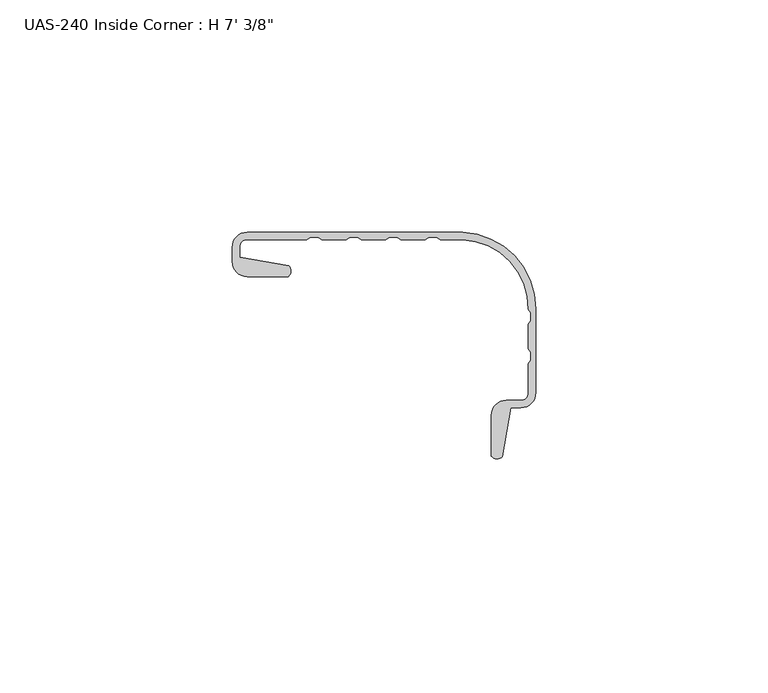
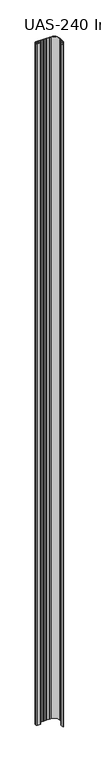
"""IFC4 building model written with IfcOpenShell, lengths in millimetres: proxy geometry."""

from ifc_helpers import new_model, si_unit, point, frame_2d, origin, origin_with_axes, place, context, project, spatial, polyline, circle_curve, trimmed, segment, composite_curve, outline, extrude, source, transform, mapped, element, save


def proxy_f9105202(model_context):
    return source(origin(), model_context, "Body", "SweptSolid", [
        extrude(outline(composite_curve([segment(trimmed(circle_curve(frame_2d((-30.2000216, 15.7778327)), 1.6162393), [point((-29.0431801, 16.9065255))], [point((-29.1092639, 14.5851562))], False, "CARTESIAN"), True, "CONTINUOUS"), segment(polyline([(-29.1092639, 14.5851562), (-38.019067, 14.5851562)]), True, "CONTINUOUS"), segment(trimmed(circle_curve(frame_2d((-38.019067, 17.7601562)), 3.175), [point((-38.019067, 14.5851562))], [point((-41.194067, 17.7601562))], False, "CARTESIAN"), True, "CONTINUOUS"), segment(polyline([(-41.194067, 17.7601562), (-41.194067, 20.9351562)]), True, "CONTINUOUS"), segment(trimmed(circle_curve(frame_2d((-38.019067, 20.9351562)), 3.175), [point((-41.194067, 20.9351562))], [point((-38.019067, 24.1101562))], False, "CARTESIAN"), True, "CONTINUOUS"), segment(polyline([(-38.019067, 24.1101562), (8.3949703, 24.1101562)]), True, "CONTINUOUS"), segment(trimmed(circle_curve(frame_2d((7.703695, 7.7180916)), 16.4066342), [point((8.3949703, 24.1101562))], [point((24.1101563, 7.642758))], False, "CARTESIAN"), True, "CONTINUOUS"), segment(polyline([(24.1101563, 7.642758), (24.1101563, -10.4667854)]), True, "CONTINUOUS"), segment(trimmed(circle_curve(frame_2d((20.9351563, -10.4667854)), 3.175), [point((24.1101563, -10.4667854))], [point((20.9351563, -13.6417854))], False, "CARTESIAN"), True, "CONTINUOUS"), segment(polyline([(20.9351563, -13.6417854), (18.7153246, -13.6417854), (16.9065255, -24.2051724)]), True, "CONTINUOUS"), segment(trimmed(circle_curve(frame_2d((15.7778327, -23.0483309)), 1.6162393), [point((16.9065255, -24.2051724))], [point((14.5851563, -24.1390886))], False, "CARTESIAN"), True, "CONTINUOUS"), segment(polyline([(14.5851563, -24.1390886), (14.5851563, -15.2292854)]), True, "CONTINUOUS"), segment(trimmed(circle_curve(frame_2d((17.7601563, -15.2292854)), 3.175), [point((14.5851563, -15.2292854))], [point((17.7601563, -12.0542854))], False, "CARTESIAN"), True, "CONTINUOUS"), segment(polyline([(17.7601563, -12.0542854), (20.9351563, -12.0542854)]), True, "CONTINUOUS"), segment(trimmed(circle_curve(frame_2d((20.9351563, -10.4667854)), 1.5875), [point((20.9351563, -12.0542854))], [point((22.5226563, -10.4667854))], True, "CARTESIAN"), True, "CONTINUOUS"), segment(polyline([(22.5226563, -10.4667854), (22.5226563, -4.1370766), (23.0318201, -3.4099152), (23.0318201, -1.6892379), (22.5226563, -0.9620766), (22.5226563, 4.3659065), (23.0318201, 5.0930679), (23.0318201, 6.8137452), (22.5217847, 7.5421512)]), True, "CONTINUOUS"), segment(trimmed(circle_curve(frame_2d((7.703695, 7.7180916)), 14.8191342), [point((22.5217847, 7.5421512))], [point((8.3606603, 22.5226562))], True, "CARTESIAN"), True, "CONTINUOUS"), segment(polyline([(8.3606603, 22.5226562), (3.5363841, 22.5226562), (2.8092228, 23.0318201), (1.0885455, 23.0318201), (0.3613841, 22.5226562), (-4.9665989, 22.5226562), (-5.6937603, 23.0318201), (-7.4144376, 23.0318201), (-8.1415989, 22.5226562), (-13.469582, 22.5226562), (-14.1967434, 23.0318201), (-15.9174207, 23.0318201), (-16.644582, 22.5226562), (-21.9725651, 22.5226562), (-22.6997265, 23.0318201), (-24.4204037, 23.0318201), (-25.1475651, 22.5226562), (-38.019067, 22.5226562)]), True, "CONTINUOUS"), segment(trimmed(circle_curve(frame_2d((-38.019067, 20.9351562)), 1.5875), [point((-38.019067, 22.5226562))], [point((-39.606567, 20.9351562))], True, "CARTESIAN"), True, "CONTINUOUS"), segment(polyline([(-39.606567, 20.9351562), (-39.606567, 18.7153246), (-29.0431801, 16.9065255)]), True, "CONTINUOUS")], self_intersect=False)), origin_with_axes(), (0.0, 0.0, 1.0), 2143.125),
    ])


if __name__ == "__main__":
    model = new_model("IFC4")
    model_context = context("Model", 3, world=origin())
    ifc_project = project(units=[si_unit("LENGTHUNIT", "METRE", prefix="MILLI")], contexts=[model_context])
    site = spatial("IfcSite", under=ifc_project)
    building = spatial("IfcBuilding", under=site)
    placement = place(None, origin())
    proxy_shape = proxy_f9105202(model_context)
    element("IfcBuildingElementProxy", 1, Name="UAS-240 Inside Corner : H 7' 3/8\"", ObjectType="UAS-240 Inside Corner : H 7' 3/8\"", at=placement, inside=building, context=model_context, shape_type="MappedRepresentation", body=[
        mapped(proxy_shape, transform((0.0, 0.0, 0.0), x_axis=(1.0, 0.0, 0.0), y_axis=(0.0, 1.0, 0.0), z_axis=(0.0, 0.0, 1.0))),
    ])
    save(model, "model.ifc")
